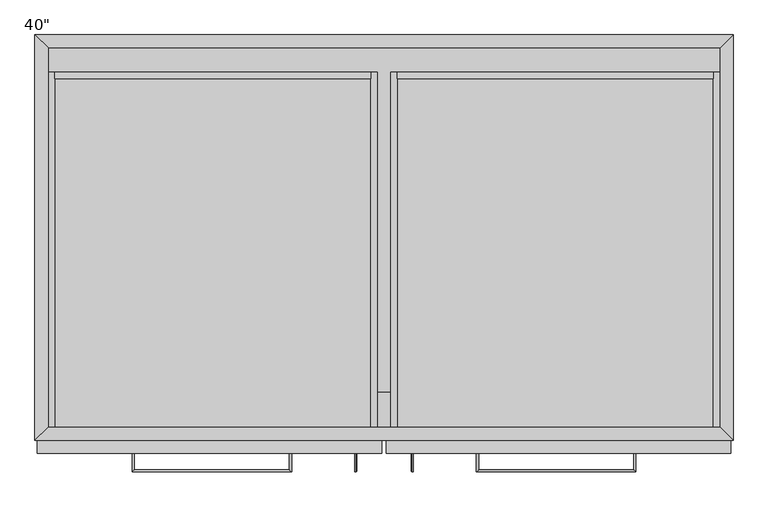
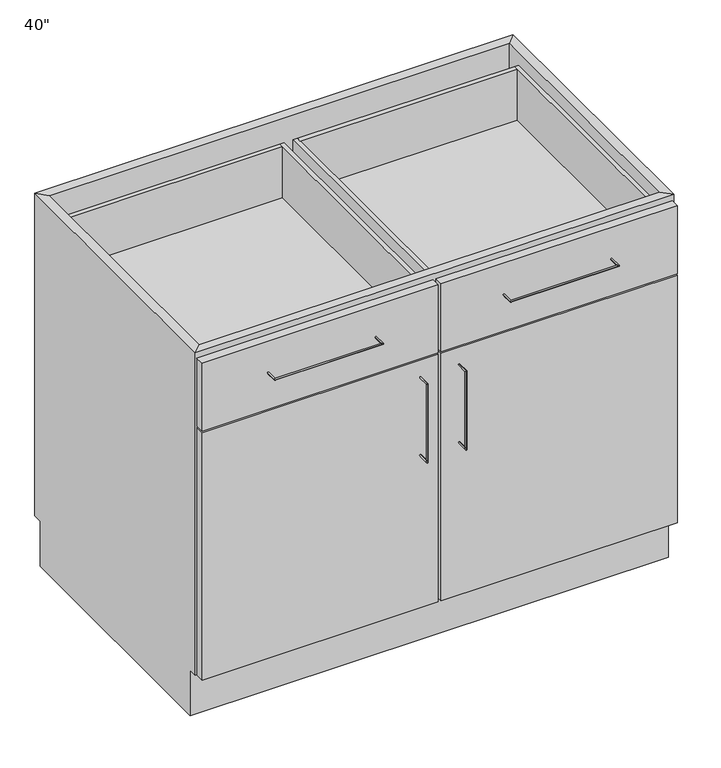
"""IFC4 building model written with IfcOpenShell, lengths in millimetres: furniture geometry."""

from ifc_helpers import new_model, si_unit, frame, origin, place, context, project, spatial, polyline, circle_curve, ellipse_curve, outline, extrude, faceted_brep, source, transform, mapped, element, save
from ifc_brep_helpers import plane_surface, cylinder_surface, advanced_brep


def furniture_3d72677b(model_context):
    return source(origin(), model_context, "Body", "SolidModel", [
        extrude(outline(polyline([(-470.2122951, -520.7), (507.6877049, -520.7), (507.6877049, -571.5), (-470.2122951, -571.5), (-470.2122951, -520.7)])), frame((0.0, 0.0, 654.05), z_axis=(0.0, 0.0, 1.0), x_axis=(1.0, 0.0, 0.0)), (0.0, 0.0, 1.0), 19.05),
        extrude(outline(polyline([(507.6877049, -19.05), (507.6877049, -571.5), (-470.2122951, -571.5), (-470.2122951, -19.05), (507.6877049, -19.05)])), frame((0.0, 0.0, 101.6), z_axis=(0.0, 0.0, 1.0), x_axis=(1.0, 0.0, 0.0)), (0.0, 0.0, 1.0), 19.05),
        extrude(outline(polyline([(15.5627049, -609.6), (-486.0872951, -609.6), (-486.0872951, -590.55), (15.5627049, -590.55), (15.5627049, -609.6)])), frame((0.0, 0.0, 660.4), z_axis=(0.0, 0.0, 1.0), x_axis=(1.0, 0.0, 0.0)), (0.0, 0.0, 1.0), 152.4),
        extrude(outline(polyline([(523.5627049, -609.6), (21.9127049, -609.6), (21.9127049, -590.55), (523.5627049, -590.55), (523.5627049, -609.6)])), frame((0.0, 0.0, 660.4), z_axis=(0.0, 0.0, 1.0), x_axis=(1.0, 0.0, 0.0)), (0.0, 0.0, 1.0), 152.4),
        extrude(outline(polyline([(15.5627049, -609.6), (-486.0872951, -609.6), (-486.0872951, -590.55), (15.5627049, -590.55), (15.5627049, -609.6)])), frame((0.0, 0.0, 101.6), z_axis=(0.0, 0.0, 1.0), x_axis=(1.0, 0.0, 0.0)), (0.0, 0.0, 1.0), 555.625),
        extrude(outline(polyline([(523.5627049, -609.6), (21.9127049, -609.6), (21.9127049, -590.55), (523.5627049, -590.55), (523.5627049, -609.6)])), frame((0.0, 0.0, 101.6), z_axis=(0.0, 0.0, 1.0), x_axis=(1.0, 0.0, 0.0)), (0.0, 0.0, 1.0), 555.625),
        advanced_brep(
        [(-118.9787451, -609.6, 742.7699324), (-115.8037451, -609.6, 742.7699324), (-118.9787451, -633.4125, 742.7699324), (-115.8037451, -636.5875, 742.7699324), (-344.4037451, -633.4125, 742.7699324), (-347.5787451, -636.5875, 742.7699324), (-344.4037451, -609.6, 742.7699324), (-347.5787451, -609.6, 742.7699324)],
        [
            (0, 1, circle_curve(frame((-117.3912451, -609.6, 742.7699324), z_axis=(0.0, 1.0, 0.0), x_axis=(1.0, 0.0, 0.0)), 1.5875)),
            (1, 0, circle_curve(frame((-117.3912451, -609.6, 742.7699324), z_axis=(0.0, 1.0, 0.0), x_axis=(1.0, 0.0, 0.0)), 1.5875)),
            (0, 2),
            (2, 3, ellipse_curve(frame((-117.3912451, -635.0, 742.7699324), z_axis=(0.7071067811865475, 0.7071067811865475, 0.0), x_axis=(-0.7071067811865474, 0.7071067811865476, 0.0)), 2.245064, 1.5875)),
            (3, 1),
            (3, 2, ellipse_curve(frame((-117.3912451, -635.0, 742.7699324), z_axis=(0.7071067811865475, 0.7071067811865475, 0.0), x_axis=(-0.7071067811865474, 0.7071067811865476, 0.0)), 2.245064, 1.5875)),
            (2, 4),
            (4, 5, ellipse_curve(frame((-345.9912451, -635.0, 742.7699324), z_axis=(0.7071067811865475, -0.7071067811865475, 0.0), x_axis=(0.7071067811865476, 0.7071067811865474, 0.0)), 2.245064, 1.5875)),
            (5, 3),
            (5, 4, ellipse_curve(frame((-345.9912451, -635.0, 742.7699324), z_axis=(0.7071067811865475, -0.7071067811865475, 0.0), x_axis=(0.7071067811865476, 0.7071067811865474, 0.0)), 2.245064, 1.5875)),
            (6, 7, circle_curve(frame((-345.9912451, -609.6, 742.7699324), z_axis=(0.0, 1.0, 0.0), x_axis=(-1.0, 0.0, 0.0)), 1.5875)),
            (7, 6, circle_curve(frame((-345.9912451, -609.6, 742.7699324), z_axis=(0.0, 1.0, 0.0), x_axis=(-1.0, 0.0, 0.0)), 1.5875)),
            (4, 6),
            (7, 5),
        ],
        [
            plane_surface(frame((-117.3912451, -609.6, 742.7699324), z_axis=(0.0, 1.0, 0.0), x_axis=(0.0, 0.0, 1.0))),
            cylinder_surface(frame((-117.3912451, -609.6, 742.7699324), z_axis=(0.0, 1.0, 0.0), x_axis=(1.0, 0.0, 0.0)), 1.5875),
            cylinder_surface(frame((-117.3912451, -635.0, 742.7699324), z_axis=(1.0, 0.0, 0.0), x_axis=(0.0, -1.0, 0.0)), 1.5875),
            plane_surface(frame((-345.9912451, -609.6, 742.7699324), z_axis=(0.0, 1.0, 0.0), x_axis=(0.0, 0.0, 1.0))),
            cylinder_surface(frame((-345.9912451, -635.0, 742.7699324), z_axis=(0.0, -1.0, 0.0), x_axis=(-1.0, 0.0, 0.0)), 1.5875),
        ],
        [
            (0, [[1, 2]]),
            (1, [[-1, 3, 4, 5]]),
            (1, [[-2, -5, 6, -3]]),
            (2, [[-4, 7, 8, 9]]),
            (2, [[-6, -9, 10, -7]]),
            (3, [[11, 12]]),
            (4, [[-8, 13, -12, 14]]),
            (4, [[-10, -14, -11, -13]]),
        ],
    ),
        advanced_brep(
        [(153.2791549, -609.6, 742.7699324), (156.4541549, -609.6, 742.7699324), (153.2791549, -636.5875, 742.7699324), (156.4541549, -633.4125, 742.7699324), (385.0541549, -636.5875, 742.7699324), (381.8791549, -633.4125, 742.7699324), (385.0541549, -609.6, 742.7699324), (381.8791549, -609.6, 742.7699324)],
        [
            (0, 1, circle_curve(frame((154.8666549, -609.6, 742.7699324), z_axis=(0.0, 1.0, 0.0), x_axis=(1.0, 0.0, 0.0)), 1.5875)),
            (1, 0, circle_curve(frame((154.8666549, -609.6, 742.7699324), z_axis=(0.0, 1.0, 0.0), x_axis=(1.0, 0.0, 0.0)), 1.5875)),
            (0, 2),
            (2, 3, ellipse_curve(frame((154.8666549, -635.0, 742.7699324), z_axis=(-0.7071067811865475, 0.7071067811865475, 0.0), x_axis=(0.7071067811865474, 0.7071067811865476, 0.0)), 2.245064, 1.5875)),
            (3, 1),
            (3, 2, ellipse_curve(frame((154.8666549, -635.0, 742.7699324), z_axis=(-0.7071067811865475, 0.7071067811865475, 0.0), x_axis=(0.7071067811865474, 0.7071067811865476, 0.0)), 2.245064, 1.5875)),
            (2, 4),
            (4, 5, ellipse_curve(frame((383.4666549, -635.0, 742.7699324), z_axis=(-0.7071067811865475, -0.7071067811865475, 0.0), x_axis=(-0.7071067811865476, 0.7071067811865474, 0.0)), 2.245064, 1.5875)),
            (5, 3),
            (5, 4, ellipse_curve(frame((383.4666549, -635.0, 742.7699324), z_axis=(-0.7071067811865475, -0.7071067811865475, 0.0), x_axis=(-0.7071067811865476, 0.7071067811865474, 0.0)), 2.245064, 1.5875)),
            (6, 7, circle_curve(frame((383.4666549, -609.6, 742.7699324), z_axis=(0.0, 1.0, 0.0), x_axis=(-1.0, 0.0, 0.0)), 1.5875)),
            (7, 6, circle_curve(frame((383.4666549, -609.6, 742.7699324), z_axis=(0.0, 1.0, 0.0), x_axis=(-1.0, 0.0, 0.0)), 1.5875)),
            (4, 6),
            (7, 5),
        ],
        [
            plane_surface(frame((154.8666549, -609.6, 742.7699324), z_axis=(0.0, 1.0, 0.0), x_axis=(0.0, 0.0, 1.0))),
            cylinder_surface(frame((154.8666549, -609.6, 742.7699324), z_axis=(0.0, 1.0, 0.0), x_axis=(1.0, 0.0, 0.0)), 1.5875),
            cylinder_surface(frame((154.8666549, -635.0, 742.7699324), z_axis=(-1.0, 0.0, 0.0), x_axis=(0.0, 1.0, 0.0)), 1.5875),
            plane_surface(frame((383.4666549, -609.6, 742.7699324), z_axis=(0.0, 1.0, 0.0), x_axis=(0.0, 0.0, 1.0))),
            cylinder_surface(frame((383.4666549, -635.0, 742.7699324), z_axis=(0.0, -1.0, 0.0), x_axis=(-1.0, 0.0, 0.0)), 1.5875),
        ],
        [
            (0, [[1, 2]]),
            (1, [[-1, 3, 4, 5]]),
            (1, [[-2, -5, 6, -3]]),
            (2, [[-4, 7, 8, 9]]),
            (2, [[-6, -9, 10, -7]]),
            (3, [[11, 12]]),
            (4, [[-8, 13, -12, 14]]),
            (4, [[-10, -14, -11, -13]]),
        ],
    ),
        advanced_brep(
        [(-22.5139911, -609.6, 617.5375), (-22.5139911, -609.6, 620.7125), (-22.5139911, -633.4125, 617.5375), (-22.5139911, -636.5875, 620.7125), (-22.5139911, -633.4125, 446.0875), (-22.5139911, -636.5875, 442.9125), (-22.5139911, -609.6, 446.0875), (-22.5139911, -609.6, 442.9125)],
        [
            (0, 1, circle_curve(frame((-22.5139911, -609.6, 619.125), z_axis=(0.0, 1.0, 0.0), x_axis=(0.0, 0.0, 1.0)), 1.5875)),
            (1, 0, circle_curve(frame((-22.5139911, -609.6, 619.125), z_axis=(0.0, 1.0, 0.0), x_axis=(0.0, 0.0, 1.0)), 1.5875)),
            (0, 2),
            (2, 3, ellipse_curve(frame((-22.5139911, -635.0, 619.125), z_axis=(0.0, 0.7071067811865475, 0.7071067811865475), x_axis=(0.0, 0.7071067811865476, -0.7071067811865474)), 2.245064, 1.5875)),
            (3, 1),
            (3, 2, ellipse_curve(frame((-22.5139911, -635.0, 619.125), z_axis=(0.0, 0.7071067811865475, 0.7071067811865475), x_axis=(0.0, 0.7071067811865476, -0.7071067811865474)), 2.245064, 1.5875)),
            (2, 4),
            (4, 5, ellipse_curve(frame((-22.5139911, -635.0, 444.5), z_axis=(0.0, -0.7071067811865475, 0.7071067811865475), x_axis=(0.0, 0.7071067811865474, 0.7071067811865476)), 2.245064, 1.5875)),
            (5, 3),
            (5, 4, ellipse_curve(frame((-22.5139911, -635.0, 444.5), z_axis=(0.0, -0.7071067811865475, 0.7071067811865475), x_axis=(0.0, 0.7071067811865474, 0.7071067811865476)), 2.245064, 1.5875)),
            (6, 7, circle_curve(frame((-22.5139911, -609.6, 444.5), z_axis=(0.0, 1.0, 0.0), x_axis=(0.0, 0.0, -1.0)), 1.5875)),
            (7, 6, circle_curve(frame((-22.5139911, -609.6, 444.5), z_axis=(0.0, 1.0, 0.0), x_axis=(0.0, 0.0, -1.0)), 1.5875)),
            (4, 6),
            (7, 5),
        ],
        [
            plane_surface(frame((-22.5139911, -609.6, 619.125), z_axis=(0.0, 1.0, 0.0), x_axis=(-1.0, 0.0, 0.0))),
            cylinder_surface(frame((-22.5139911, -609.6, 619.125), z_axis=(0.0, 1.0, 0.0), x_axis=(0.0, 0.0, 1.0)), 1.5875),
            cylinder_surface(frame((-22.5139911, -635.0, 619.125), z_axis=(0.0, 0.0, 1.0), x_axis=(0.0, -1.0, 0.0)), 1.5875),
            plane_surface(frame((-22.5139911, -609.6, 444.5), z_axis=(0.0, 1.0, 0.0), x_axis=(-1.0, 0.0, 0.0))),
            cylinder_surface(frame((-22.5139911, -635.0, 444.5), z_axis=(0.0, -1.0, 0.0), x_axis=(0.0, 0.0, -1.0)), 1.5875),
        ],
        [
            (0, [[1, 2]]),
            (1, [[-1, 3, 4, 5]]),
            (1, [[-2, -5, 6, -3]]),
            (2, [[-4, 7, 8, 9]]),
            (2, [[-6, -9, 10, -7]]),
            (3, [[11, 12]]),
            (4, [[-8, 13, -12, 14]]),
            (4, [[-10, -14, -11, -13]]),
        ],
    ),
        advanced_brep(
        [(59.9894009, -609.6, 620.7125), (59.9894009, -609.6, 617.5375), (59.9894009, -636.5875, 620.7125), (59.9894009, -633.4125, 617.5375), (59.9894009, -636.5875, 442.9125), (59.9894009, -633.4125, 446.0875), (59.9894009, -609.6, 442.9125), (59.9894009, -609.6, 446.0875)],
        [
            (0, 1, circle_curve(frame((59.9894009, -609.6, 619.125), z_axis=(0.0, 1.0, 0.0), x_axis=(0.0, 0.0, -1.0)), 1.5875)),
            (1, 0, circle_curve(frame((59.9894009, -609.6, 619.125), z_axis=(0.0, 1.0, 0.0), x_axis=(0.0, 0.0, -1.0)), 1.5875)),
            (0, 2),
            (2, 3, ellipse_curve(frame((59.9894009, -635.0, 619.125), z_axis=(0.0, 0.7071067811865475, 0.7071067811865475), x_axis=(0.0, 0.7071067811865476, -0.7071067811865474)), 2.245064, 1.5875)),
            (3, 1),
            (3, 2, ellipse_curve(frame((59.9894009, -635.0, 619.125), z_axis=(0.0, 0.7071067811865475, 0.7071067811865475), x_axis=(0.0, 0.7071067811865476, -0.7071067811865474)), 2.245064, 1.5875)),
            (2, 4),
            (4, 5, ellipse_curve(frame((59.9894009, -635.0, 444.5), z_axis=(0.0, -0.7071067811865475, 0.7071067811865475), x_axis=(0.0, 0.7071067811865474, 0.7071067811865476)), 2.245064, 1.5875)),
            (5, 3),
            (5, 4, ellipse_curve(frame((59.9894009, -635.0, 444.5), z_axis=(0.0, -0.7071067811865475, 0.7071067811865475), x_axis=(0.0, 0.7071067811865474, 0.7071067811865476)), 2.245064, 1.5875)),
            (6, 7, circle_curve(frame((59.9894009, -609.6, 444.5), z_axis=(0.0, 1.0, 0.0), x_axis=(0.0, 0.0, 1.0)), 1.5875)),
            (7, 6, circle_curve(frame((59.9894009, -609.6, 444.5), z_axis=(0.0, 1.0, 0.0), x_axis=(0.0, 0.0, 1.0)), 1.5875)),
            (4, 6),
            (7, 5),
        ],
        [
            plane_surface(frame((59.9894009, -609.6, 619.125), z_axis=(0.0, 1.0, 0.0), x_axis=(1.0, 0.0, 0.0))),
            cylinder_surface(frame((59.9894009, -609.6, 619.125), z_axis=(0.0, 1.0, 0.0), x_axis=(0.0, 0.0, -1.0)), 1.5875),
            cylinder_surface(frame((59.9894009, -635.0, 619.125), z_axis=(0.0, 0.0, 1.0), x_axis=(0.0, 1.0, 0.0)), 1.5875),
            plane_surface(frame((59.9894009, -609.6, 444.5), z_axis=(0.0, 1.0, 0.0), x_axis=(1.0, 0.0, 0.0))),
            cylinder_surface(frame((59.9894009, -635.0, 444.5), z_axis=(0.0, -1.0, 0.0), x_axis=(0.0, 0.0, 1.0)), 1.5875),
        ],
        [
            (0, [[1, 2]]),
            (1, [[-1, 3, 4, 5]]),
            (1, [[-2, -5, 6, -3]]),
            (2, [[-4, 7, 8, 9]]),
            (2, [[-6, -9, 10, -7]]),
            (3, [[11, 12]]),
            (4, [[-8, 13, -12, 14]]),
            (4, [[-10, -14, -11, -13]]),
        ],
    ),
        faceted_brep([(507.6877049, -571.5, 101.6), (-470.2122951, -571.5, 101.6), (-470.2122951, -571.5, 120.65), (9.2127049, -571.5, 120.65), (9.2127049, -571.5, 650.875), (-470.2122951, -571.5, 650.875), (-470.2122951, -571.5, 666.75), (9.2127049, -571.5, 666.75), (9.2127049, -571.5, 806.45), (-470.2122951, -571.5, 806.45), (-470.2122951, -571.5, 825.5), (507.6877049, -571.5, 825.5), (507.6877049, -571.5, 806.45), (28.2627049, -571.5, 806.45), (28.2627049, -571.5, 666.75), (507.6877049, -571.5, 666.75), (507.6877049, -571.5, 650.875), (28.2627049, -571.5, 650.875), (28.2627049, -571.5, 120.65), (507.6877049, -571.5, 120.65), (-489.2622951, -590.55, 825.5), (526.7377049, -590.55, 825.5), (-489.2622951, -590.55, 101.6), (526.7377049, -590.55, 101.6), (28.2627049, -590.55, 666.75), (28.2627049, -590.55, 806.45), (507.6877049, -590.55, 806.45), (507.6877049, -590.55, 666.75), (-470.2122951, -590.55, 666.75), (-470.2122951, -590.55, 806.45), (9.2127049, -590.55, 806.45), (9.2127049, -590.55, 666.75), (28.2627049, -590.55, 120.65), (28.2627049, -590.55, 650.875), (507.6877049, -590.55, 650.875), (507.6877049, -590.55, 120.65), (-470.2122951, -590.55, 120.65), (-470.2122951, -590.55, 650.875), (9.2127049, -590.55, 650.875), (9.2127049, -590.55, 120.65), (-470.2122951, -19.05, 101.6), (-470.2122951, -19.05, 825.5), (-489.2622951, 0.0, 825.5), (-489.2622951, 0.0, 101.6), (-489.2622951, -19.05, 101.6), (-489.2622951, -19.05, 0.0), (-489.2622951, -571.5, 0.0), (-489.2622951, -571.5, 101.6), (507.6877049, -19.05, 101.6), (507.6877049, -19.05, 825.5), (526.7377049, 0.0, 825.5), (526.7377049, 0.0, 101.6), (526.7377049, -571.5, 101.6), (526.7377049, -571.5, 0.0), (526.7377049, -19.05, 0.0), (526.7377049, -19.05, 101.6)], [[[0, 1, 2, 3, 4, 5, 6, 7, 8, 9, 10, 11, 12, 13, 14, 15, 16, 17, 18, 19]], [[11, 10, 20, 21]], [[21, 20, 22, 23], [24, 25, 26, 27], [28, 29, 30, 31], [32, 33, 34, 35], [36, 37, 38, 39]], [[1, 0, 23, 22]], [[40, 41, 10, 9, 29, 28, 6, 5, 37, 36, 2, 1]], [[20, 10, 41, 42]], [[22, 20, 42, 43, 44, 45, 46, 47]], [[1, 22, 47]], [[43, 40, 44]], [[41, 40, 48, 49]], [[42, 41, 49, 50]], [[43, 42, 50, 51]], [[40, 43, 51, 48]], [[49, 48, 0, 19, 35, 34, 16, 15, 27, 26, 12, 11]], [[11, 21, 50, 49]], [[21, 23, 52, 53, 54, 55, 51, 50]], [[23, 0, 52]], [[48, 51, 55]], [[1, 0, 48, 40]], [[54, 53, 46, 45]], [[54, 45, 44, 40, 48, 55]], [[46, 53, 52, 0, 1, 47]], [[24, 14, 13, 25]], [[14, 24, 27, 15]], [[25, 13, 12, 26]], [[6, 28, 31, 7]], [[7, 31, 30, 8]], [[29, 9, 8, 30]], [[32, 18, 17, 33]], [[18, 32, 35, 19]], [[33, 17, 16, 34]], [[2, 36, 39, 3]], [[3, 39, 38, 4]], [[37, 5, 4, 38]]]),
        extrude(outline(polyline([(507.6877049, -19.05), (507.6877049, -587.375), (-470.2122951, -587.375), (-470.2122951, -19.05), (507.6877049, -19.05)])), frame((0.0, 0.0, 477.8037229), z_axis=(0.0, 0.0, 1.0), x_axis=(1.0, 0.0, 0.0)), (0.0, 0.0, 1.0), 19.05),
        extrude(outline(polyline([(507.6877049, -19.05), (507.6877049, -587.375), (-470.2122951, -587.375), (-470.2122951, -19.05), (507.6877049, -19.05)])), frame((0.0, 0.0, 300.0037229), z_axis=(0.0, 0.0, 1.0), x_axis=(1.0, 0.0, 0.0)), (0.0, 0.0, 1.0), 19.05),
        extrude(outline(polyline([(498.1627049, -53.975), (498.1627049, -63.5), (37.7877049, -63.5), (37.7877049, -53.975), (498.1627049, -53.975)])), frame((0.0, 0.0, 682.625), z_axis=(0.0, 0.0, 1.0), x_axis=(1.0, 0.0, 0.0)), (0.0, 0.0, 1.0), 114.3),
        extrude(outline(polyline([(-0.3122951, -53.975), (-0.3122951, -63.5), (-460.6872951, -63.5), (-460.6872951, -53.975), (-0.3122951, -53.975)])), frame((0.0, 0.0, 682.625), z_axis=(0.0, 0.0, 1.0), x_axis=(1.0, 0.0, 0.0)), (0.0, 0.0, 1.0), 114.3),
        extrude(outline(polyline([(673.1, 28.2627049), (673.1, 507.6877049), (796.925, 507.6877049), (796.925, 498.1627049), (682.625, 498.1627049), (682.625, 37.7877049), (796.925, 37.7877049), (796.925, 28.2627049), (673.1, 28.2627049)])), frame((0.0, -590.55, 0.0), z_axis=(0.0, 1.0, 0.0), x_axis=(0.0, 0.0, 1.0)), (0.0, 0.0, 1.0), 536.575),
        extrude(outline(polyline([(673.1, -470.2122951), (673.1, 9.2127049), (796.925, 9.2127049), (796.925, -0.3122951), (682.625, -0.3122951), (682.625, -460.6872951), (796.925, -460.6872951), (796.925, -470.2122951), (673.1, -470.2122951)])), frame((0.0, -590.55, 0.0), z_axis=(0.0, 1.0, 0.0), x_axis=(0.0, 0.0, 1.0)), (0.0, 0.0, 1.0), 536.575),
    ])


if __name__ == "__main__":
    model = new_model("IFC4")
    model_context = context("Model", 3, world=origin())
    ifc_project = project(units=[si_unit("LENGTHUNIT", "METRE", prefix="MILLI")], contexts=[model_context])
    site = spatial("IfcSite", under=ifc_project)
    building = spatial("IfcBuilding", under=site)
    placement = place(None, origin())
    furniture_shape = furniture_3d72677b(model_context)
    element("IfcFurniture", 1, ObjectType="40\"", at=placement, inside=building, context=model_context, shape_type="MappedRepresentation", body=[
        mapped(furniture_shape, transform((0.0, 0.0, 0.0), x_axis=(1.0, 0.0, 0.0), y_axis=(0.0, 1.0, 0.0), z_axis=(0.0, 0.0, 1.0))),
    ])
    save(model, "model.ifc")
